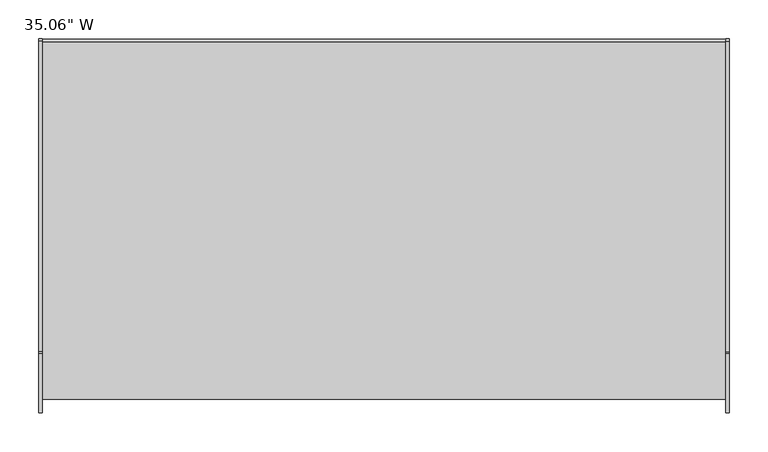
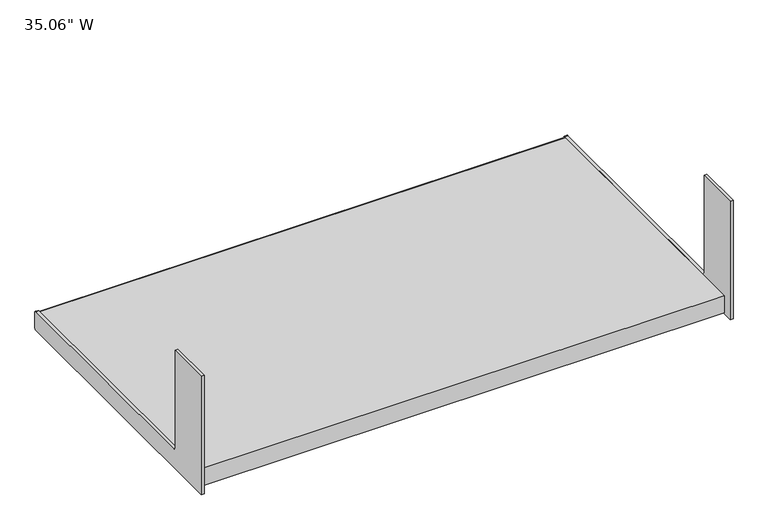
"""IFC4 building model written with IfcOpenShell, lengths in millimetres: furniture geometry."""

from ifc_helpers import new_model, si_unit, point, frame, frame_2d, origin, place, context, project, spatial, polyline, circle_curve, trimmed, segment, composite_curve, outline, extrude, source, transform, mapped, element, save


def furniture_39d95f16(model_context):
    return source(origin(), model_context, "Body", "SweptSolid", [
        extrude(outline(composite_curve([segment(polyline([(432.3841669, 0.0), (-47.1678331, 0.0), (-47.1678331, 209.55), (29.0321669, 209.55), (29.0321669, 36.068)]), True, "CONTINUOUS"), segment(trimmed(circle_curve(frame_2d((32.0801669, 36.068)), 3.048), [point((29.0321669, 36.068))], [point((32.0801669, 33.02))], True, "CARTESIAN"), True, "CONTINUOUS"), segment(polyline([(32.0801669, 33.02), (432.3841669, 33.02)]), True, "CONTINUOUS"), segment(trimmed(circle_curve(frame_2d((432.3841669, 29.972)), 3.048), [point((432.3841669, 33.02))], [point((435.4321669, 29.972))], False, "CARTESIAN"), True, "CONTINUOUS"), segment(polyline([(435.4321669, 29.972), (435.4321669, 3.048)]), True, "CONTINUOUS"), segment(trimmed(circle_curve(frame_2d((432.3841669, 3.048)), 3.048), [point((435.4321669, 3.048))], [point((432.3841669, 0.0))], False, "CARTESIAN"), True, "CONTINUOUS")], self_intersect=False)), frame((11.938, 0.0, 0.0), z_axis=(1.0, 0.0, 0.0), x_axis=(0.0, 1.0, 0.0)), (0.0, 0.0, 1.0), 4.699),
        extrude(outline(composite_curve([segment(trimmed(circle_curve(frame_2d((431.495195, 28.702)), 3.048), [point((431.495195, 31.75))], [point((434.543195, 28.702))], False, "CARTESIAN"), True, "CONTINUOUS"), segment(polyline([(434.543195, 28.702), (434.543195, 4.318)]), True, "CONTINUOUS"), segment(trimmed(circle_curve(frame_2d((431.495195, 4.318)), 3.048), [point((434.543195, 4.318))], [point((431.495195, 1.27))], False, "CARTESIAN"), True, "CONTINUOUS"), segment(polyline([(431.495195, 1.27), (-29.7306707, 1.27), (-29.7306707, 31.75), (431.495195, 31.75)]), True, "CONTINUOUS")], self_intersect=False)), frame((16.637, 0.0, 0.0), z_axis=(1.0, 0.0, 0.0), x_axis=(0.0, 1.0, 0.0)), (0.0, 0.0, 1.0), 881.126),
        extrude(outline(composite_curve([segment(polyline([(432.3841669, 0.0), (-47.1678331, 0.0), (-47.1678331, 209.55), (29.0321669, 209.55), (29.0321669, 36.068)]), True, "CONTINUOUS"), segment(trimmed(circle_curve(frame_2d((32.0801669, 36.068)), 3.048), [point((29.0321669, 36.068))], [point((32.0801669, 33.02))], True, "CARTESIAN"), True, "CONTINUOUS"), segment(polyline([(32.0801669, 33.02), (432.3841669, 33.02)]), True, "CONTINUOUS"), segment(trimmed(circle_curve(frame_2d((432.3841669, 29.972)), 3.048), [point((432.3841669, 33.02))], [point((435.4321669, 29.972))], False, "CARTESIAN"), True, "CONTINUOUS"), segment(polyline([(435.4321669, 29.972), (435.4321669, 3.048)]), True, "CONTINUOUS"), segment(trimmed(circle_curve(frame_2d((432.3841669, 3.048)), 3.048), [point((435.4321669, 3.048))], [point((432.3841669, 0.0))], False, "CARTESIAN"), True, "CONTINUOUS")], self_intersect=False)), frame((897.763, 0.0, 0.0), z_axis=(1.0, 0.0, 0.0), x_axis=(0.0, 1.0, 0.0)), (0.0, 0.0, 1.0), 4.699),
    ])


if __name__ == "__main__":
    model = new_model("IFC4")
    model_context = context("Model", 3, world=origin())
    ifc_project = project(units=[si_unit("LENGTHUNIT", "METRE", prefix="MILLI")], contexts=[model_context])
    site = spatial("IfcSite", under=ifc_project)
    building = spatial("IfcBuilding", under=site)
    placement = place(None, origin())
    furniture_shape = furniture_39d95f16(model_context)
    element("IfcFurniture", 1, ObjectType="35.06\" W", at=placement, inside=building, context=model_context, shape_type="MappedRepresentation", body=[
        mapped(furniture_shape, transform((0.0, 0.0, 0.0), x_axis=(1.0, 0.0, 0.0), y_axis=(0.0, 1.0, 0.0), z_axis=(0.0, 0.0, 1.0))),
    ])
    save(model, "model.ifc")
